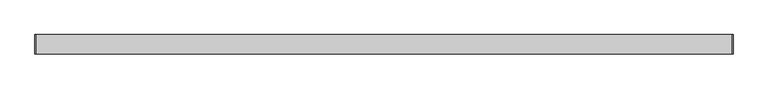
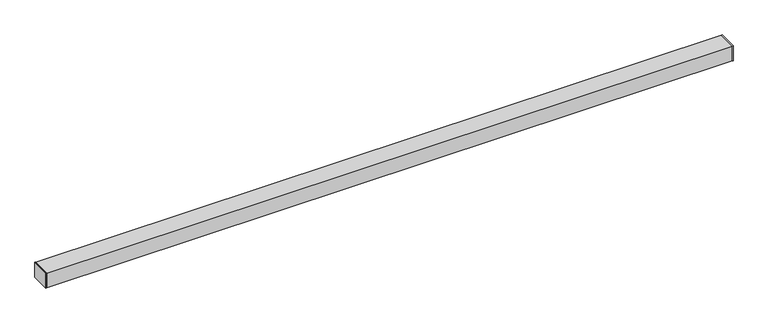
"""IFC4 building model written with IfcOpenShell, lengths in millimetres: proxy geometry."""

from ifc_helpers import new_model, si_unit, frame, origin, origin_with_axes, place, context, project, spatial, polyline, outline, extrude, source, transform, mapped, element, save


def generic_models_a2811941(model_context):
    return source(origin(), model_context, "Body", "SweptSolid", [
        extrude(outline(polyline([(0.0, -25.4), (0.0, 25.4), (1.651, 25.4), (1.651, -25.4), (0.0, -25.4)])), origin_with_axes(), (0.0, 0.0, 1.0), 41.28),
        extrude(outline(polyline([(1828.8, -25.4), (1827.149, -25.4), (1827.149, 25.4), (1828.8, 25.4), (1828.8, -25.4)])), origin_with_axes(), (0.0, 0.0, 1.0), 41.28),
        extrude(outline(polyline([(-25.4, 0.0), (-25.4, 41.28), (25.4, 41.28), (25.4, 0.0), (-25.4, 0.0)]), holes=[polyline([(23.45, 1.65), (23.45, 39.63), (-23.45, 39.63), (-23.45, 1.65), (23.45, 1.65)])]), frame((1.651, 0.0, 0.0), z_axis=(1.0, 0.0, 0.0), x_axis=(0.0, 1.0, 0.0)), (0.0, 0.0, 1.0), 1825.498),
    ])


if __name__ == "__main__":
    model = new_model("IFC4")
    model_context = context("Model", 3, world=origin())
    ifc_project = project(units=[si_unit("LENGTHUNIT", "METRE", prefix="MILLI")], contexts=[model_context])
    site = spatial("IfcSite", under=ifc_project)
    building = spatial("IfcBuilding", under=site)
    placement = place(None, origin())
    generic_models_shape = generic_models_a2811941(model_context)
    element("IfcBuildingElementProxy", 1, Name="Generic Models", at=placement, inside=building, context=model_context, shape_type="MappedRepresentation", body=[
        mapped(generic_models_shape, transform((0.0, 0.0, 0.0), x_axis=(1.0, 0.0, 0.0), y_axis=(0.0, 1.0, 0.0), z_axis=(0.0, 0.0, 1.0))),
    ])
    save(model, "model.ifc")
